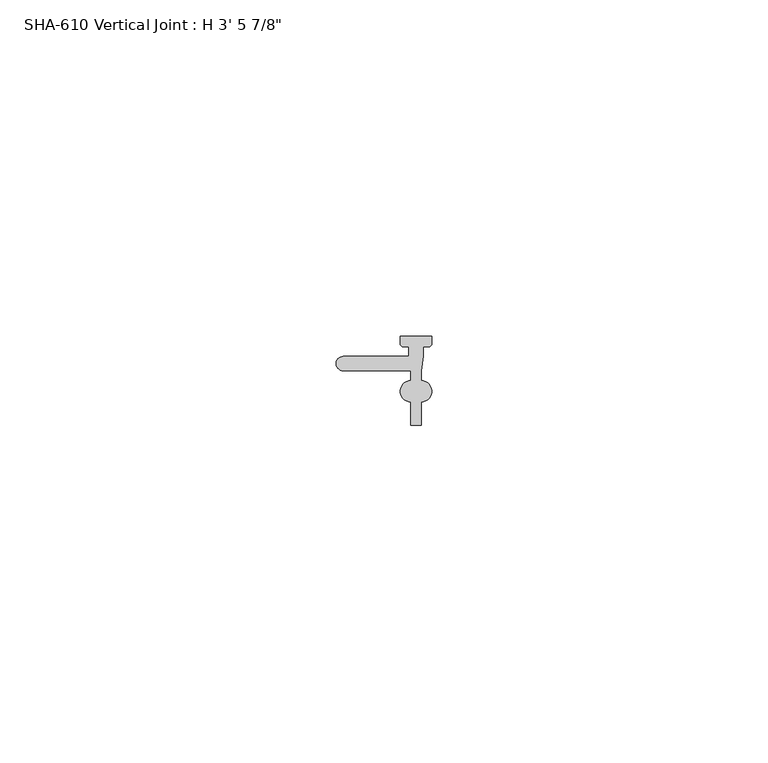
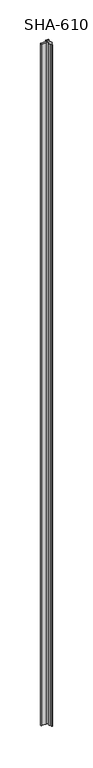
"""IFC4 building model written with IfcOpenShell, lengths in millimetres: proxy geometry."""

from ifc_helpers import new_model, si_unit, point, frame_2d, origin, origin_with_axes, place, context, project, spatial, polyline, circle_curve, trimmed, segment, composite_curve, outline, extrude, source, transform, mapped, element, save


def proxy_b52771fb(model_context):
    return source(origin(), model_context, "Body", "SweptSolid", [
        extrude(outline(composite_curve([segment(trimmed(circle_curve(frame_2d((12.6746, -8.2092789)), 1.5748), [point((12.6748534, -6.6344789))], [point((12.6748534, -9.7840789))], False, "CARTESIAN"), True, "CONTINUOUS"), segment(polyline([(12.6748534, -9.7840789), (12.6748534, -13.2892789), (11.0995463, -13.2892789), (11.0995463, -9.7840789)]), True, "CONTINUOUS"), segment(trimmed(circle_curve(frame_2d((11.0997997, -8.2092789)), 1.5748), [point((11.0995463, -9.7840789))], [point((11.0995462, -6.6344789))], False, "CARTESIAN"), True, "CONTINUOUS"), segment(polyline([(11.0995462, -6.6344789), (11.0995462, -5.1485789), (7.2987953, -5.1485789), (1.0667997, -5.1485789)]), True, "CONTINUOUS"), segment(trimmed(circle_curve(frame_2d((1.0667997, -4.0817789)), 1.0668), [point((1.0667997, -5.1485789))], [point((1.0667997, -3.0149789))], False, "CARTESIAN"), True, "CONTINUOUS"), segment(polyline([(1.0667997, -3.0149789), (7.2987953, -3.0149789), (10.8203997, -3.0149789), (10.8203997, -1.5875), (10.0382423, -1.5875)]), True, "CONTINUOUS"), segment(trimmed(circle_curve(frame_2d((10.0382423, -1.0742572)), 0.5132428), [point((10.0382423, -1.5875))], [point((9.5249995, -1.0742572))], False, "CARTESIAN"), True, "CONTINUOUS"), segment(polyline([(9.5249995, -1.0742572), (9.5249997, 0.0), (11.8871997, 0.0), (14.2494, 0.0), (14.2494, -1.0742572)]), True, "CONTINUOUS"), segment(trimmed(circle_curve(frame_2d((13.7361572, -1.0742572)), 0.5132428), [point((14.2494, -1.0742572))], [point((13.7361572, -1.5875))], False, "CARTESIAN"), True, "CONTINUOUS"), segment(polyline([(13.7361572, -1.5875), (12.9539997, -1.5875), (12.9539997, -3.0149789), (12.6748534, -5.1485789), (12.6748534, -6.6344789)]), True, "CONTINUOUS")], self_intersect=False)), origin_with_axes(), (0.0, 0.0, 1.0), 1063.625),
    ])


if __name__ == "__main__":
    model = new_model("IFC4")
    model_context = context("Model", 3, world=origin())
    ifc_project = project(units=[si_unit("LENGTHUNIT", "METRE", prefix="MILLI")], contexts=[model_context])
    site = spatial("IfcSite", under=ifc_project)
    building = spatial("IfcBuilding", under=site)
    placement = place(None, origin())
    proxy_shape = proxy_b52771fb(model_context)
    element("IfcBuildingElementProxy", 1, Name="SHA-610 Vertical Joint : H 3' 5 7/8\"", ObjectType="SHA-610 Vertical Joint : H 3' 5 7/8\"", at=placement, inside=building, context=model_context, shape_type="MappedRepresentation", body=[
        mapped(proxy_shape, transform((0.0, 0.0, 0.0), x_axis=(1.0, 0.0, 0.0), y_axis=(0.0, 1.0, 0.0), z_axis=(0.0, 0.0, 1.0))),
    ])
    save(model, "model.ifc")
